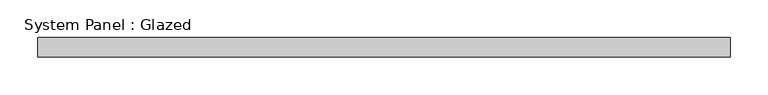
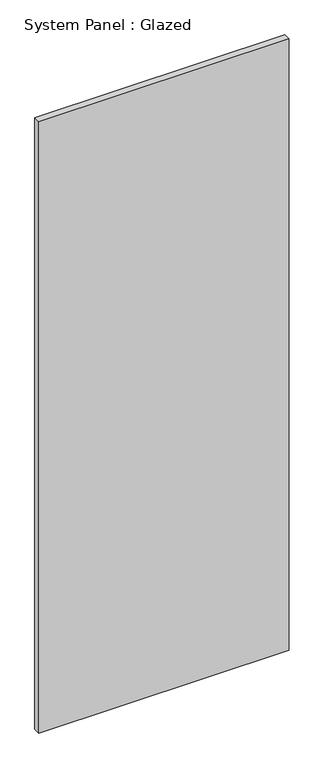
"""IFC4 building model written with IfcOpenShell, lengths in millimetres: plate geometry, System Panel : Glazed."""

from ifc_helpers import new_model, si_unit, origin, origin_with_axes, place, context, project, spatial, polyline, outline, extrude, source, transform, mapped, element, save


def system_panel_glazed_8346d7d0(model_context):
    return source(origin(), model_context, "Body", "SweptSolid", [
        extrude(outline(polyline([(457.2, 25.4), (-457.2, 25.4), (-457.2, 50.8), (457.2, 50.8), (457.2, 25.4)])), origin_with_axes(), (0.0, 0.0, 1.0), 2362.2),
    ])


if __name__ == "__main__":
    model = new_model("IFC4")
    model_context = context("Model", 3, world=origin())
    ifc_project = project(units=[si_unit("LENGTHUNIT", "METRE", prefix="MILLI")], contexts=[model_context])
    site = spatial("IfcSite", under=ifc_project)
    building = spatial("IfcBuilding", under=site)
    placement = place(None, origin())
    system_panel_glazed_shape = system_panel_glazed_8346d7d0(model_context)
    element("IfcPlate", 1, ObjectType="System Panel : Glazed", at=placement, inside=building, context=model_context, shape_type="MappedRepresentation", body=[
        mapped(system_panel_glazed_shape, transform((0.0, 0.0, 0.0), x_axis=(1.0, 0.0, 0.0), y_axis=(0.0, 1.0, 0.0), z_axis=(0.0, 0.0, 1.0))),
    ])
    save(model, "model.ifc")
